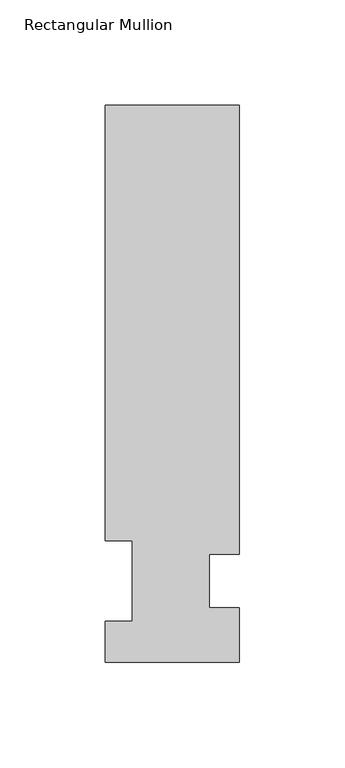
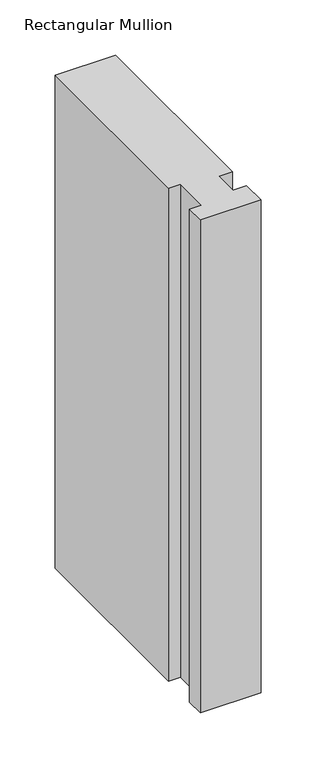
"""IFC4 building model written with IfcOpenShell, lengths in millimetres: member geometry, Rectangular Mullion."""

from ifc_helpers import new_model, si_unit, frame, origin, place, context, project, spatial, polyline, outline, extrude, source, transform, mapped, element, save


def rectangular_mullion_df7c2dfc(model_context):
    return source(origin(), model_context, "Body", "SweptSolid", [
        extrude(outline(polyline([(-63.5, 264.0210938), (0.0, 264.0210938), (0.0, 51.2960938), (-14.2875, 51.2960938), (-14.2875, 25.8960938), (0.0, 25.8960938), (0.0, 0.0134938), (-63.5, 0.0134938), (-63.5, 19.5460938), (-50.8127, 19.5460937), (-50.8127, 57.6460937), (-63.5, 57.6460938), (-63.5, 264.0210938)])), frame((0.0, 0.0, -546.1), z_axis=(0.0, 0.0, 1.0), x_axis=(1.0, 0.0, 0.0)), (0.0, 0.0, 1.0), 546.1),
    ])


if __name__ == "__main__":
    model = new_model("IFC4")
    model_context = context("Model", 3, world=origin())
    ifc_project = project(units=[si_unit("LENGTHUNIT", "METRE", prefix="MILLI")], contexts=[model_context])
    site = spatial("IfcSite", under=ifc_project)
    building = spatial("IfcBuilding", under=site)
    placement = place(None, origin())
    rectangular_mullion_shape = rectangular_mullion_df7c2dfc(model_context)
    element("IfcMember", 1, ObjectType="Rectangular Mullion", at=placement, inside=building, context=model_context, shape_type="MappedRepresentation", body=[
        mapped(rectangular_mullion_shape, transform((0.0, 0.0, 0.0), x_axis=(1.0, 0.0, 0.0), y_axis=(0.0, 1.0, 0.0), z_axis=(0.0, 0.0, 1.0))),
    ])
    save(model, "model.ifc")
